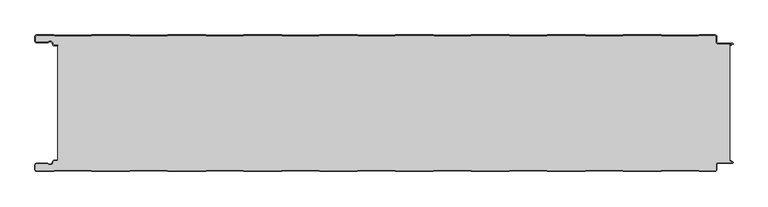
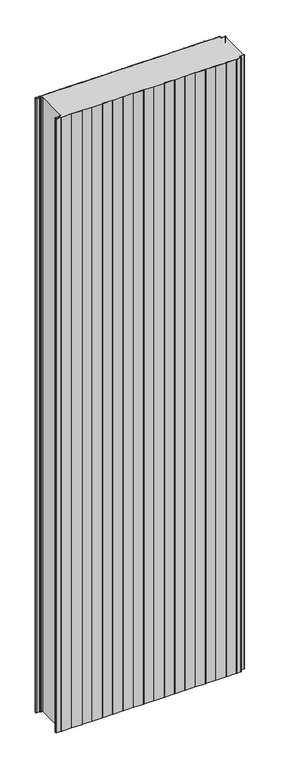
"""IFC4 building model written with IfcOpenShell, lengths in millimetres: plate geometry."""

import ifcopenshell
import ifcopenshell.guid

model = None  # the IFC model being written
_history = None  # IfcOwnerHistory: only IFC2X3 demands one
_inside = {}  # id of a spatial element -> (the spatial element, [elements in it])
_under = {}  # id of a project, library or spatial element -> (it, [spatial elements below it])
_declared = {}  # id of a project -> (the project, [libraries it declares])
_typed = {}  # id of a type object -> (the type object, [elements of that type])
_made_of = {}  # id of a material, layer set ... -> (it, [elements and type objects made of it])


def new_model(schema):
    """Start an empty IFC model of exactly this schema.

    Asked for "IFC4X3", IfcOpenShell would pick the latest addendum, in which some entities
    have other attributes; the version numbers below select the first issue.
    IFC2X3 requires an IfcOwnerHistory on every rooted entity: one is made here for all.
    """
    global model, _history
    if schema == "IFC4X3":
        model = ifcopenshell.file(schema_version=(4, 3, 0, 0))
    else:
        model = ifcopenshell.file(schema=schema)
    _inside.clear()
    _under.clear()
    _declared.clear()
    _typed.clear()
    _made_of.clear()
    _history = None
    if model.schema == "IFC2X3":
        org = make("IfcOrganization", Name="unknown")
        user = make(
            "IfcPersonAndOrganization",
            ThePerson=make("IfcPerson", FamilyName="unknown"),
            TheOrganization=org,
        )
        app = make(
            "IfcApplication",
            ApplicationDeveloper=org,
            Version="unknown",
            ApplicationFullName="unknown",
            ApplicationIdentifier="unknown",
        )
        _history = make(
            "IfcOwnerHistory",
            OwningUser=user,
            OwningApplication=app,
            ChangeAction="ADDED",
            CreationDate=0,
        )
    return model


def make(cls, **values):
    """One entity of the class cls with the attributes given. An attribute that is None is left unset."""
    return model.create_entity(
        cls, **{name: value for name, value in values.items() if value is not None}
    )


def rooted(cls, **values):
    """An entity with a GlobalId (a new one), such as an element, a storey or a relation."""
    return make(cls, GlobalId=ifcopenshell.guid.new(), OwnerHistory=_history, **values)


def si_unit(unit_type, name, prefix=None):
    """IfcSIUnit, for example si_unit("LENGTHUNIT", "METRE", prefix="MILLI")."""
    return make("IfcSIUnit", UnitType=unit_type, Prefix=prefix, Name=name)


def assignment(units):
    """IfcUnitAssignment: the units of a project."""
    return None if units is None else make("IfcUnitAssignment", Units=units)


def point(xyz):
    """IfcCartesianPoint."""
    return None if xyz is None else make("IfcCartesianPoint", Coordinates=xyz)


def direction(xyz):
    """IfcDirection."""
    return None if xyz is None else make("IfcDirection", DirectionRatios=xyz)


def frame(location, z_axis=None, x_axis=None):
    """IfcAxis2Placement3D, a coordinate frame: its origin and axes. An axis left out is left unset."""
    return make(
        "IfcAxis2Placement3D",
        Location=point(location),
        Axis=direction(z_axis),
        RefDirection=direction(x_axis),
    )


def frame_2d(location, x_axis=None):
    """IfcAxis2Placement2D, a coordinate frame in the plane: its origin and x axis."""
    return make(
        "IfcAxis2Placement2D", Location=point(location), RefDirection=direction(x_axis)
    )


def origin():
    """The frame at (0, 0, 0) with its axes left unset."""
    return frame((0.0, 0.0, 0.0))


def origin_with_axes():
    """The frame at (0, 0, 0) with the z axis (0, 0, 1) and the x axis (1, 0, 0) written out."""
    return frame((0.0, 0.0, 0.0), z_axis=(0.0, 0.0, 1.0), x_axis=(1.0, 0.0, 0.0))


def place(relative_to, where):
    """IfcLocalPlacement: puts the frame where relative to a parent placement (None: the world)."""
    return make(
        "IfcLocalPlacement", PlacementRelTo=relative_to, RelativePlacement=where
    )


def context(
    kind, dimensions, precision=None, world=None, true_north=None, identifier=None
):
    """IfcGeometricRepresentationContext, for example the 3D "Model" context."""
    return make(
        "IfcGeometricRepresentationContext",
        ContextIdentifier=identifier,
        ContextType=kind,
        CoordinateSpaceDimension=dimensions,
        Precision=precision,
        WorldCoordinateSystem=world,
        TrueNorth=true_north,
    )


def project(units=None, contexts=None):
    """IfcProject with its units and contexts."""
    return rooted(
        "IfcProject",
        Name="project",
        RepresentationContexts=contexts,
        UnitsInContext=assignment(units),
    )


def spatial(cls, under=None, at=None, **own):
    """A site, building, storey or space (cls), placed at a placement, below another one or the project."""
    s = rooted(cls, ObjectPlacement=at, **own)
    if under is not None:
        _under.setdefault(under.id(), (under, []))[1].append(s)
    return s


def polyline(points):
    """IfcPolyline through the points."""
    return make("IfcPolyline", Points=[point(p) for p in points])


def circle_curve(where, radius):
    """IfcCircle in the frame where."""
    return make("IfcCircle", Position=where, Radius=radius)


def trimmed(basis, trim1, trim2, sense, master):
    """IfcTrimmedCurve: the piece of a basis curve between two trims."""
    return make(
        "IfcTrimmedCurve",
        BasisCurve=basis,
        Trim1=trim1,
        Trim2=trim2,
        SenseAgreement=sense,
        MasterRepresentation=master,
    )


def segment(curve, same_sense, transition):
    """IfcCompositeCurveSegment."""
    return make(
        "IfcCompositeCurveSegment",
        Transition=transition,
        SameSense=same_sense,
        ParentCurve=curve,
    )


def composite_curve(segments, self_intersect=None):
    """IfcCompositeCurve: segments joined end to end."""
    return make("IfcCompositeCurve", Segments=segments, SelfIntersect=self_intersect)


def outline(outer, holes=None, kind="AREA"):
    """IfcArbitraryClosedProfileDef: a profile drawn as a closed curve; with holes, ...WithVoids."""
    if holes is None:
        return make("IfcArbitraryClosedProfileDef", ProfileType=kind, OuterCurve=outer)
    return make(
        "IfcArbitraryProfileDefWithVoids",
        ProfileType=kind,
        OuterCurve=outer,
        InnerCurves=holes,
    )


def extrude(swept, where, along, depth):
    """IfcExtrudedAreaSolid: the profile swept, set in the frame where, extruded along a direction by depth."""
    return make(
        "IfcExtrudedAreaSolid",
        SweptArea=swept,
        Position=where,
        ExtrudedDirection=direction(along),
        Depth=depth,
    )


def shape(context_of_items, identifier, shape_type, items):
    """IfcShapeRepresentation: the items that make up one representation, for example the "Body"."""
    return make(
        "IfcShapeRepresentation",
        ContextOfItems=context_of_items,
        RepresentationIdentifier=identifier,
        RepresentationType=shape_type,
        Items=items,
    )


def source(mapping_origin, context_of_items, identifier, shape_type, items):
    """IfcRepresentationMap: a shape defined once, which mapped items show again and again."""
    return make(
        "IfcRepresentationMap",
        MappingOrigin=mapping_origin,
        MappedRepresentation=shape(context_of_items, identifier, shape_type, items),
    )


def transform(
    local_origin,
    x_axis=None,
    y_axis=None,
    z_axis=None,
    scale=None,
    scale2=None,
    scale3=None,
    uniform=True,
):
    """IfcCartesianTransformationOperator3D, or its non-uniform kind. x_axis, y_axis, z_axis: its Axis1, 2, 3."""
    if uniform:
        return make(
            "IfcCartesianTransformationOperator3D",
            Axis1=direction(x_axis),
            Axis2=direction(y_axis),
            LocalOrigin=point(local_origin),
            Scale=scale,
            Axis3=direction(z_axis),
        )
    return make(
        "IfcCartesianTransformationOperator3DnonUniform",
        Axis1=direction(x_axis),
        Axis2=direction(y_axis),
        LocalOrigin=point(local_origin),
        Scale=scale,
        Axis3=direction(z_axis),
        Scale2=scale2,
        Scale3=scale3,
    )


def mapped(mapping_source, mapping_target):
    """IfcMappedItem: shows the shape of a source again, moved by a transform."""
    return make(
        "IfcMappedItem", MappingSource=mapping_source, MappingTarget=mapping_target
    )


def made_of(thing, what):
    """Note that an element or type object is made of a material, layer set ...; save() writes the relation."""
    if what is not None:
        _made_of.setdefault(what.id(), (what, []))[1].append(thing)
    return thing


def element(
    cls,
    number,
    at=None,
    inside=None,
    cuts=None,
    type_object=None,
    material=None,
    context=None,
    identifier="Body",
    shape_type=None,
    held_by="IfcProductDefinitionShape",
    body=None,
    shapes=None,
    **own,
):
    """One element of the class cls, such as IfcWall. Its Tag is "e" and its number.

    at: its placement. inside: the storey or other place that contains it. cuts: it is an
    opening in that element (IfcRelVoidsElement). A single representation is given by context,
    identifier, shape_type and body (its items); several are given by shapes. held_by: the class
    of the entity that holds the representations. save() writes the other relations.
    """
    e = rooted(cls, Tag="e%d" % number, ObjectPlacement=at, **own)
    if body is not None:
        shapes = [shape(context, identifier, shape_type, body)]
    if shapes is not None:
        e.Representation = make(held_by, Representations=shapes)
    if inside is not None:
        _inside.setdefault(inside.id(), (inside, []))[1].append(e)
    if cuts is not None:
        rooted(
            "IfcRelVoidsElement", RelatingBuildingElement=cuts, RelatedOpeningElement=e
        )
    if type_object is not None:
        _typed.setdefault(type_object.id(), (type_object, []))[1].append(e)
    return made_of(e, material)


def aggregate(whole, parts):
    """IfcRelAggregates: a whole, such as a stair, and the parts it consists of."""
    return rooted("IfcRelAggregates", RelatingObject=whole, RelatedObjects=parts)


def save(model, path):
    """Write the relations noted so far, then the file.

    IfcRelAggregates (storeys below a building ...), IfcRelContainedInSpatialStructure (elements
    in a storey), IfcRelDefinesByType, IfcRelAssociatesMaterial and IfcRelDeclares: one each for
    every whole, place, type object, material and project.
    """
    for whole, parts in _under.values():
        aggregate(whole, parts)
    for where, things in _inside.values():
        rooted(
            "IfcRelContainedInSpatialStructure",
            RelatedElements=things,
            RelatingStructure=where,
        )
    for kind, things in _typed.values():
        rooted("IfcRelDefinesByType", RelatedObjects=things, RelatingType=kind)
    for what, things in _made_of.values():
        rooted("IfcRelAssociatesMaterial", RelatedObjects=things, RelatingMaterial=what)
    for by, libraries in _declared.values():
        rooted("IfcRelDeclares", RelatingContext=by, RelatedDefinitions=libraries)
    model.write(path)


def plate_97d00396(model_context):
    return source(origin(), model_context, "Body", "SweptSolid", [
        extrude(outline(composite_curve([segment(trimmed(circle_curve(frame_2d((-497.49499, -9.0180361)), 2.50501), [point((-497.49499, -11.5230461))], [point((-500.0, -9.0180361))], False, "CARTESIAN"), True, "CONTINUOUS"), segment(polyline([(-500.0, -9.0180361), (-500.0, -2.50501)]), True, "CONTINUOUS"), segment(trimmed(circle_curve(frame_2d((-497.49499, -2.50501)), 2.50501), [point((-500.0, -2.50501))], [point((-497.49499, 0.0))], False, "CARTESIAN"), True, "CONTINUOUS"), segment(polyline([(-497.49499, 0.0), (-472.2103007, 0.0), (-471.028188, -0.6012024), (-417.6391467, -0.6012024), (-416.457034, 0.0), (-360.8776353, 0.0), (-359.6955227, -0.6012024), (-306.3064814, -0.6012024), (-305.1243687, 0.0), (-249.54497, 0.0), (-248.3628573, -0.6012024), (-194.973816, -0.6012024), (-193.7917033, 0.0), (-138.2123047, 0.0), (-137.030192, -0.6012024), (-83.6411507, -0.6012024), (-82.459038, 0.0), (-26.8796393, 0.0), (-25.6975267, -0.6012024), (27.6915146, -0.6012024), (28.8736273, 0.0), (84.453026, 0.0), (85.6351387, -0.6012024), (139.02418, -0.6012024), (140.2062927, 0.0), (195.7856913, 0.0), (196.967804, -0.6012024), (250.3568453, -0.6012024), (251.538958, 0.0), (307.1183566, 0.0), (308.3004693, -0.6012024), (361.6895106, -0.6012024), (362.8716233, 0.0), (418.451022, 0.0), (419.6331347, -0.6012024), (473.022176, -0.6012024), (474.2042886, 0.0), (497.49499, 0.0)]), True, "CONTINUOUS"), segment(trimmed(circle_curve(frame_2d((497.49499, -2.50501)), 2.50501), [point((497.49499, 0.0))], [point((500.0, -2.50501))], False, "CARTESIAN"), True, "CONTINUOUS"), segment(polyline([(500.0, -2.50501), (500.0, -10.0200401)]), True, "CONTINUOUS"), segment(trimmed(circle_curve(frame_2d((502.004008, -10.0200401)), 2.004008), [point((500.0, -10.0200401))], [point((502.004008, -12.0240481))], True, "CARTESIAN"), True, "CONTINUOUS"), segment(polyline([(502.004008, -12.0240481), (523.0460922, -12.0240481)]), True, "CONTINUOUS"), segment(trimmed(circle_curve(frame_2d((523.0460922, -13.0260521)), 1.002004), [point((523.0460922, -12.0240481))], [point((523.5470942, -13.893813))], False, "CARTESIAN"), True, "CONTINUOUS"), segment(polyline([(523.5470942, -13.893813), (519.5390782, -16.2078422), (519.1390782, -15.5150218), (522.183956, -13.7570608)]), True, "CONTINUOUS"), segment(trimmed(circle_curve(frame_2d((521.933956, -13.3240481)), 0.5), [point((522.183956, -13.7570608))], [point((521.933956, -12.8240481))], True, "CARTESIAN"), True, "CONTINUOUS"), segment(polyline([(521.933956, -12.8240481), (502.004008, -12.8240481)]), True, "CONTINUOUS"), segment(trimmed(circle_curve(frame_2d((502.004008, -10.0200401)), 2.804008), [point((502.004008, -12.8240481))], [point((499.2, -10.0200401))], False, "CARTESIAN"), True, "CONTINUOUS"), segment(polyline([(499.2, -10.0200401), (499.2, -2.50501)]), True, "CONTINUOUS"), segment(trimmed(circle_curve(frame_2d((497.49499, -2.50501)), 1.70501), [point((499.2, -2.50501))], [point((497.49499, -0.8))], True, "CARTESIAN"), True, "CONTINUOUS"), segment(polyline([(497.49499, -0.8), (474.396035, -0.8), (473.2139223, -1.4012024), (419.4413883, -1.4012024), (418.2592756, -0.8), (363.0633697, -0.8), (361.881257, -1.4012024), (308.108723, -1.4012024), (306.9266103, -0.8), (251.7307044, -0.8), (250.5485917, -1.4012024), (196.7760576, -1.4012024), (195.5939449, -0.8), (140.398039, -0.8), (139.2159263, -1.4012024), (85.4433923, -1.4012024), (84.2612796, -0.8), (29.0653737, -0.8), (27.883261, -1.4012024), (-25.889273, -1.4012024), (-27.0713857, -0.8), (-82.2672916, -0.8), (-83.4494043, -1.4012024), (-137.2219384, -1.4012024), (-138.4040511, -0.8), (-193.599957, -0.8), (-194.7820696, -1.4012024), (-248.5546037, -1.4012024), (-249.7367164, -0.8), (-304.9326223, -0.8), (-306.114735, -1.4012024), (-359.887269, -1.4012024), (-361.0693817, -0.8), (-416.2652876, -0.8), (-417.4474003, -1.4012024), (-471.2199344, -1.4012024), (-472.4020471, -0.8), (-497.49499, -0.8)]), True, "CONTINUOUS"), segment(trimmed(circle_curve(frame_2d((-497.49499, -2.50501)), 1.70501), [point((-497.49499, -0.8))], [point((-499.2, -2.50501))], True, "CARTESIAN"), True, "CONTINUOUS"), segment(polyline([(-499.2, -2.50501), (-499.2, -9.0180361)]), True, "CONTINUOUS"), segment(trimmed(circle_curve(frame_2d((-497.49499, -9.0180361)), 1.70501), [point((-499.2, -9.0180361))], [point((-497.49499, -10.7230461))], True, "CARTESIAN"), True, "CONTINUOUS"), segment(polyline([(-497.49499, -10.7230461), (-481.8173283, -10.7230461)]), True, "CONTINUOUS"), segment(trimmed(circle_curve(frame_2d((-481.8173283, -9.0180361)), 1.70501), [point((-481.8173283, -10.7230461))], [point((-480.6895701, -10.2967936))], True, "CARTESIAN"), True, "CONTINUOUS"), segment(trimmed(circle_curve(frame_2d((-477.8407481, -13.5270541)), 4.307014), [point((-480.6895701, -10.2967936))], [point((-473.7934788, -12.0539686))], False, "CARTESIAN"), True, "CONTINUOUS"), segment(polyline([(-473.7934788, -12.0539686), (-473.0450711, -14.1102019)]), True, "CONTINUOUS"), segment(trimmed(circle_curve(frame_2d((-471.4428858, -13.5270541)), 1.70501), [point((-473.0450711, -14.1102019))], [point((-471.4428858, -15.2320641))], True, "CARTESIAN"), True, "CONTINUOUS"), segment(polyline([(-471.4428858, -15.2320641), (-466.4328657, -15.2320641), (-466.4328657, -16.0320641), (-471.4428858, -16.0320641)]), True, "CONTINUOUS"), segment(trimmed(circle_curve(frame_2d((-471.4428858, -13.5270541)), 2.50501), [point((-471.4428858, -16.0320641))], [point((-473.7968252, -14.383818))], False, "CARTESIAN"), True, "CONTINUOUS"), segment(polyline([(-473.7968252, -14.383818), (-474.5452329, -12.3275847)]), True, "CONTINUOUS"), segment(trimmed(circle_curve(frame_2d((-477.8407481, -13.5270541)), 3.507014), [point((-474.5452329, -12.3275847))], [point((-480.1604199, -10.8967936))], True, "CARTESIAN"), True, "CONTINUOUS"), segment(trimmed(circle_curve(frame_2d((-481.8173283, -9.0180361)), 2.50501), [point((-480.1604199, -10.8967936))], [point((-481.8173283, -11.5230461))], False, "CARTESIAN"), True, "CONTINUOUS"), segment(polyline([(-481.8173283, -11.5230461), (-497.49499, -11.5230461)]), True, "CONTINUOUS")], self_intersect=False)), origin_with_axes(), (0.0, 0.0, 1.0), 3500.0),
        extrude(outline(composite_curve([segment(trimmed(circle_curve(frame_2d((-471.4428858, -13.5270541)), 1.70501), [point((-471.4428858, -15.2320641))], [point((-473.0450711, -14.1102019))], False, "CARTESIAN"), True, "CONTINUOUS"), segment(polyline([(-473.0450711, -14.1102019), (-473.7934788, -12.0539686)]), True, "CONTINUOUS"), segment(trimmed(circle_curve(frame_2d((-477.8407481, -13.5270541)), 4.307014), [point((-473.7934788, -12.0539686))], [point((-480.6895701, -10.2967936))], True, "CARTESIAN"), True, "CONTINUOUS"), segment(trimmed(circle_curve(frame_2d((-481.8173283, -9.0180361)), 1.70501), [point((-480.6895701, -10.2967936))], [point((-481.8173283, -10.7230461))], False, "CARTESIAN"), True, "CONTINUOUS"), segment(polyline([(-481.8173283, -10.7230461), (-497.49499, -10.7230461)]), True, "CONTINUOUS"), segment(trimmed(circle_curve(frame_2d((-497.49499, -9.0180361)), 1.70501), [point((-497.49499, -10.7230461))], [point((-499.2, -9.0180361))], False, "CARTESIAN"), True, "CONTINUOUS"), segment(polyline([(-499.2, -9.0180361), (-499.2, -2.50501)]), True, "CONTINUOUS"), segment(trimmed(circle_curve(frame_2d((-497.49499, -2.50501)), 1.70501), [point((-499.2, -2.50501))], [point((-497.49499, -0.8))], False, "CARTESIAN"), True, "CONTINUOUS"), segment(polyline([(-497.49499, -0.8), (-472.4020471, -0.8), (-471.2199344, -1.4012024), (-417.4474003, -1.4012024), (-416.2652876, -0.8), (-361.0693817, -0.8), (-359.887269, -1.4012024), (-306.114735, -1.4012024), (-304.9326223, -0.8), (-249.7367164, -0.8), (-248.5546037, -1.4012024), (-194.7820696, -1.4012024), (-193.599957, -0.8), (-138.4040511, -0.8), (-137.2219384, -1.4012024), (-83.4494043, -1.4012024), (-82.2672916, -0.8), (-27.0713857, -0.8), (-25.889273, -1.4012024), (27.883261, -1.4012024), (29.0653737, -0.8), (84.2612796, -0.8), (85.4433923, -1.4012024), (139.2159263, -1.4012024), (140.398039, -0.8), (195.5939449, -0.8), (196.7760576, -1.4012024), (250.5485917, -1.4012024), (251.7307044, -0.8), (306.9266103, -0.8), (308.108723, -1.4012024), (361.881257, -1.4012024), (363.0633697, -0.8), (418.2592756, -0.8), (419.4413883, -1.4012024), (473.2139223, -1.4012024), (474.396035, -0.8), (497.49499, -0.8)]), True, "CONTINUOUS"), segment(trimmed(circle_curve(frame_2d((497.49499, -2.50501)), 1.70501), [point((497.49499, -0.8))], [point((499.2, -2.50501))], False, "CARTESIAN"), True, "CONTINUOUS"), segment(polyline([(499.2, -2.50501), (499.2, -10.0200401)]), True, "CONTINUOUS"), segment(trimmed(circle_curve(frame_2d((502.004008, -10.0200401)), 2.804008), [point((499.2, -10.0200401))], [point((502.004008, -12.8240481))], True, "CARTESIAN"), True, "CONTINUOUS"), segment(polyline([(502.004008, -12.8240481), (521.933956, -12.8240481)]), True, "CONTINUOUS"), segment(trimmed(circle_curve(frame_2d((521.933956, -13.3240481)), 0.5), [point((521.933956, -12.8240481))], [point((522.183956, -13.7570608))], False, "CARTESIAN"), True, "CONTINUOUS"), segment(polyline([(522.183956, -13.7570608), (519.1390782, -15.5150218), (519.1390782, -184.4849782), (522.183956, -186.2429392)]), True, "CONTINUOUS"), segment(trimmed(circle_curve(frame_2d((521.933956, -186.6759519)), 0.5), [point((522.183956, -186.2429392))], [point((521.933956, -187.1759519))], False, "CARTESIAN"), True, "CONTINUOUS"), segment(polyline([(521.933956, -187.1759519), (502.004008, -187.1759519)]), True, "CONTINUOUS"), segment(trimmed(circle_curve(frame_2d((502.004008, -189.9799599)), 2.804008), [point((502.004008, -187.1759519))], [point((499.2, -189.9799599))], True, "CARTESIAN"), True, "CONTINUOUS"), segment(polyline([(499.2, -189.9799599), (499.2, -197.49499)]), True, "CONTINUOUS"), segment(trimmed(circle_curve(frame_2d((497.49499, -197.49499)), 1.70501), [point((499.2, -197.49499))], [point((497.49499, -199.2))], False, "CARTESIAN"), True, "CONTINUOUS"), segment(polyline([(497.49499, -199.2), (474.396035, -199.2), (473.2139223, -198.5987976), (419.4413883, -198.5987976), (418.2592756, -199.2), (363.0633697, -199.2), (361.881257, -198.5987976), (308.108723, -198.5987976), (306.9266103, -199.2), (251.7307044, -199.2), (250.5485917, -198.5987976), (196.7760576, -198.5987976), (195.5939449, -199.2), (140.398039, -199.2), (139.2159263, -198.5987976), (85.4433923, -198.5987976), (84.2612796, -199.2), (29.0653737, -199.2), (27.883261, -198.5987976), (-25.889273, -198.5987976), (-27.0713857, -199.2), (-82.2672916, -199.2), (-83.4494043, -198.5987976), (-137.2219384, -198.5987976), (-138.4040511, -199.2), (-193.599957, -199.2), (-194.7820696, -198.5987976), (-248.5546037, -198.5987976), (-249.7367164, -199.2), (-304.9326223, -199.2), (-306.114735, -198.5987976), (-359.887269, -198.5987976), (-361.0693817, -199.2), (-416.2652876, -199.2), (-417.4474003, -198.5987976), (-471.2199344, -198.5987976), (-472.4020471, -199.2), (-497.49499, -199.2)]), True, "CONTINUOUS"), segment(trimmed(circle_curve(frame_2d((-497.49499, -197.49499)), 1.70501), [point((-497.49499, -199.2))], [point((-499.2, -197.49499))], False, "CARTESIAN"), True, "CONTINUOUS"), segment(polyline([(-499.2, -197.49499), (-499.2, -190.9819639)]), True, "CONTINUOUS"), segment(trimmed(circle_curve(frame_2d((-497.49499, -190.9819639)), 1.70501), [point((-499.2, -190.9819639))], [point((-497.49499, -189.2769539))], False, "CARTESIAN"), True, "CONTINUOUS"), segment(polyline([(-497.49499, -189.2769539), (-481.8173283, -189.2769539)]), True, "CONTINUOUS"), segment(trimmed(circle_curve(frame_2d((-481.8173283, -190.9819639)), 1.70501), [point((-481.8173283, -189.2769539))], [point((-480.6895701, -189.7032064))], False, "CARTESIAN"), True, "CONTINUOUS"), segment(trimmed(circle_curve(frame_2d((-477.8407481, -186.4729459)), 4.307014), [point((-480.6895701, -189.7032064))], [point((-473.7934788, -187.9460314))], True, "CARTESIAN"), True, "CONTINUOUS"), segment(polyline([(-473.7934788, -187.9460314), (-473.0450711, -185.8897981)]), True, "CONTINUOUS"), segment(trimmed(circle_curve(frame_2d((-471.4428858, -186.4729459)), 1.70501), [point((-473.0450711, -185.8897981))], [point((-471.4428858, -184.7679359))], False, "CARTESIAN"), True, "CONTINUOUS"), segment(polyline([(-471.4428858, -184.7679359), (-466.4328657, -184.7679359), (-466.4328657, -15.2320641), (-471.4428858, -15.2320641)]), True, "CONTINUOUS")], self_intersect=False)), origin_with_axes(), (0.0, 0.0, 1.0), 3500.0),
        extrude(outline(composite_curve([segment(polyline([(-497.49499, -188.4769539), (-481.8173283, -188.4769539)]), True, "CONTINUOUS"), segment(trimmed(circle_curve(frame_2d((-481.8173283, -190.9819639)), 2.50501), [point((-481.8173283, -188.4769539))], [point((-480.1604199, -189.1032064))], False, "CARTESIAN"), True, "CONTINUOUS"), segment(trimmed(circle_curve(frame_2d((-477.8407481, -186.4729459)), 3.507014), [point((-480.1604199, -189.1032064))], [point((-474.5452329, -187.6724153))], True, "CARTESIAN"), True, "CONTINUOUS"), segment(polyline([(-474.5452329, -187.6724153), (-473.7968252, -185.616182)]), True, "CONTINUOUS"), segment(trimmed(circle_curve(frame_2d((-471.4428858, -186.4729459)), 2.50501), [point((-473.7968252, -185.616182))], [point((-471.4428858, -183.9679359))], False, "CARTESIAN"), True, "CONTINUOUS"), segment(polyline([(-471.4428858, -183.9679359), (-466.4328657, -183.9679359), (-466.4328657, -184.7679359), (-471.4428858, -184.7679359)]), True, "CONTINUOUS"), segment(trimmed(circle_curve(frame_2d((-471.4428858, -186.4729459)), 1.70501), [point((-471.4428858, -184.7679359))], [point((-473.0450711, -185.8897981))], True, "CARTESIAN"), True, "CONTINUOUS"), segment(polyline([(-473.0450711, -185.8897981), (-473.7934788, -187.9460314)]), True, "CONTINUOUS"), segment(trimmed(circle_curve(frame_2d((-477.8407481, -186.4729459)), 4.307014), [point((-473.7934788, -187.9460314))], [point((-480.6895701, -189.7032064))], False, "CARTESIAN"), True, "CONTINUOUS"), segment(trimmed(circle_curve(frame_2d((-481.8173283, -190.9819639)), 1.70501), [point((-480.6895701, -189.7032064))], [point((-481.8173283, -189.2769539))], True, "CARTESIAN"), True, "CONTINUOUS"), segment(polyline([(-481.8173283, -189.2769539), (-497.49499, -189.2769539)]), True, "CONTINUOUS"), segment(trimmed(circle_curve(frame_2d((-497.49499, -190.9819639)), 1.70501), [point((-497.49499, -189.2769539))], [point((-499.2, -190.9819639))], True, "CARTESIAN"), True, "CONTINUOUS"), segment(polyline([(-499.2, -190.9819639), (-499.2, -197.49499)]), True, "CONTINUOUS"), segment(trimmed(circle_curve(frame_2d((-497.49499, -197.49499)), 1.70501), [point((-499.2, -197.49499))], [point((-497.49499, -199.2))], True, "CARTESIAN"), True, "CONTINUOUS"), segment(polyline([(-497.49499, -199.2), (-472.4020471, -199.2), (-471.2199344, -198.5987976), (-417.4474003, -198.5987976), (-416.2652876, -199.2), (-361.0693817, -199.2), (-359.887269, -198.5987976), (-306.114735, -198.5987976), (-304.9326223, -199.2), (-249.7367164, -199.2), (-248.5546037, -198.5987976), (-194.7820696, -198.5987976), (-193.599957, -199.2), (-138.4040511, -199.2), (-137.2219384, -198.5987976), (-83.4494043, -198.5987976), (-82.2672916, -199.2), (-27.0713857, -199.2), (-25.889273, -198.5987976), (27.883261, -198.5987976), (29.0653737, -199.2), (84.2612796, -199.2), (85.4433923, -198.5987976), (139.2159263, -198.5987976), (140.398039, -199.2), (195.5939449, -199.2), (196.7760576, -198.5987976), (250.5485917, -198.5987976), (251.7307044, -199.2), (306.9266103, -199.2), (308.108723, -198.5987976), (361.881257, -198.5987976), (363.0633697, -199.2), (418.2592756, -199.2), (419.4413883, -198.5987976), (473.2139223, -198.5987976), (474.396035, -199.2), (497.49499, -199.2)]), True, "CONTINUOUS"), segment(trimmed(circle_curve(frame_2d((497.49499, -197.49499)), 1.70501), [point((497.49499, -199.2))], [point((499.2, -197.49499))], True, "CARTESIAN"), True, "CONTINUOUS"), segment(polyline([(499.2, -197.49499), (499.2, -189.9799599)]), True, "CONTINUOUS"), segment(trimmed(circle_curve(frame_2d((502.004008, -189.9799599)), 2.804008), [point((499.2, -189.9799599))], [point((502.004008, -187.1759519))], False, "CARTESIAN"), True, "CONTINUOUS"), segment(polyline([(502.004008, -187.1759519), (521.933956, -187.1759519)]), True, "CONTINUOUS"), segment(trimmed(circle_curve(frame_2d((521.933956, -186.6759519)), 0.5), [point((521.933956, -187.1759519))], [point((522.183956, -186.2429392))], True, "CARTESIAN"), True, "CONTINUOUS"), segment(polyline([(522.183956, -186.2429392), (519.1390782, -184.4849782), (519.5390782, -183.7921578), (523.5470942, -186.106187)]), True, "CONTINUOUS"), segment(trimmed(circle_curve(frame_2d((523.0460922, -186.9739479)), 1.002004), [point((523.5470942, -186.106187))], [point((523.0460922, -187.9759519))], False, "CARTESIAN"), True, "CONTINUOUS"), segment(polyline([(523.0460922, -187.9759519), (502.004008, -187.9759519)]), True, "CONTINUOUS"), segment(trimmed(circle_curve(frame_2d((502.004008, -189.9799599)), 2.004008), [point((502.004008, -187.9759519))], [point((500.0, -189.9799599))], True, "CARTESIAN"), True, "CONTINUOUS"), segment(polyline([(500.0, -189.9799599), (500.0, -197.49499)]), True, "CONTINUOUS"), segment(trimmed(circle_curve(frame_2d((497.49499, -197.49499)), 2.50501), [point((500.0, -197.49499))], [point((497.49499, -200.0))], False, "CARTESIAN"), True, "CONTINUOUS"), segment(polyline([(497.49499, -200.0), (474.2042886, -200.0), (473.022176, -199.3987976), (419.6331347, -199.3987976), (418.451022, -200.0), (362.8716233, -200.0), (361.6895106, -199.3987976), (308.3004693, -199.3987976), (307.1183566, -200.0), (251.538958, -200.0), (250.3568453, -199.3987976), (196.967804, -199.3987976), (195.7856913, -200.0), (140.2062927, -200.0), (139.02418, -199.3987976), (85.6351387, -199.3987976), (84.453026, -200.0), (28.8736273, -200.0), (27.6915146, -199.3987976), (-25.6975267, -199.3987976), (-26.8796393, -200.0), (-82.459038, -200.0), (-83.6411507, -199.3987976), (-137.030192, -199.3987976), (-138.2123047, -200.0), (-193.7917033, -200.0), (-194.973816, -199.3987976), (-248.3628573, -199.3987976), (-249.54497, -200.0), (-305.1243687, -200.0), (-306.3064814, -199.3987976), (-359.6955227, -199.3987976), (-360.8776353, -200.0), (-416.457034, -200.0), (-417.6391467, -199.3987976), (-471.028188, -199.3987976), (-472.2103007, -200.0), (-497.49499, -200.0)]), True, "CONTINUOUS"), segment(trimmed(circle_curve(frame_2d((-497.49499, -197.49499)), 2.50501), [point((-497.49499, -200.0))], [point((-500.0, -197.49499))], False, "CARTESIAN"), True, "CONTINUOUS"), segment(polyline([(-500.0, -197.49499), (-500.0, -190.9819639)]), True, "CONTINUOUS"), segment(trimmed(circle_curve(frame_2d((-497.49499, -190.9819639)), 2.50501), [point((-500.0, -190.9819639))], [point((-497.49499, -188.4769539))], False, "CARTESIAN"), True, "CONTINUOUS")], self_intersect=False)), origin_with_axes(), (0.0, 0.0, 1.0), 3500.0),
    ])


if __name__ == "__main__":
    model = new_model("IFC4")
    model_context = context("Model", 3, world=origin())
    ifc_project = project(units=[si_unit("LENGTHUNIT", "METRE", prefix="MILLI")], contexts=[model_context])
    site = spatial("IfcSite", under=ifc_project)
    building = spatial("IfcBuilding", under=site)
    placement = place(None, origin())
    plate_shape = plate_97d00396(model_context)
    element("IfcPlate", 1, at=placement, inside=building, context=model_context, shape_type="MappedRepresentation", body=[
        mapped(plate_shape, transform((0.0, 0.0, 0.0), x_axis=(1.0, 0.0, 0.0), y_axis=(0.0, 1.0, 0.0), z_axis=(0.0, 0.0, 1.0))),
    ])
    save(model, "model.ifc")
